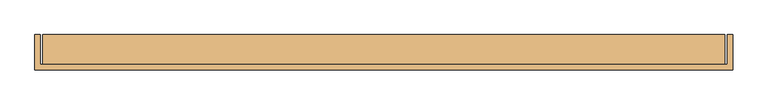
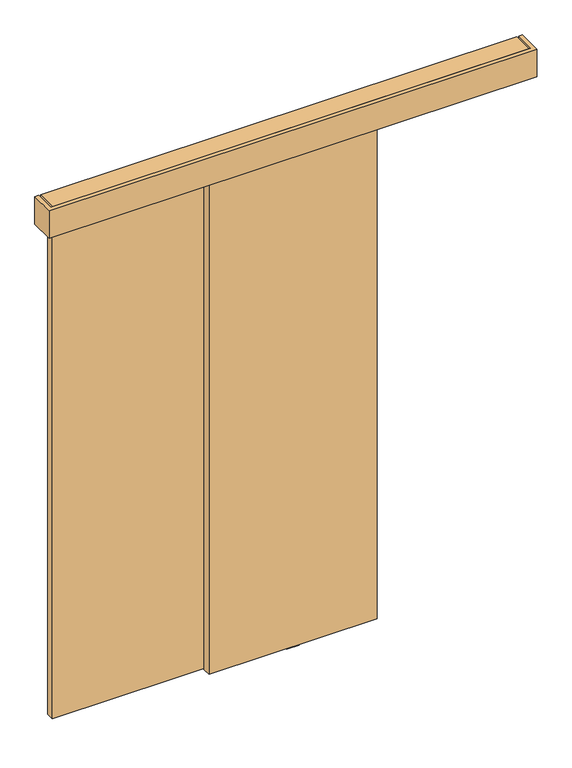
"""IFC4 building model written with IfcOpenShell, lengths in millimetres: door geometry."""

from ifc_helpers import new_model, si_unit, point, frame, frame_2d, origin, place, context, project, spatial, polyline, circle_curve, trimmed, segment, composite_curve, outline, extrude, source, transform, mapped, element, save
from ifc_brep_helpers import plane_surface, cylinder_surface, advanced_brep


def door_8462a658(model_context):
    return source(origin(), model_context, "Body", "SolidModel", [
        extrude(outline(composite_curve([segment(trimmed(circle_curve(frame_2d((-246.5, -48.5)), 9.0), [point((-237.5, -48.5))], [point((-255.5, -48.5))], False, "CARTESIAN"), True, "CONTINUOUS"), segment(trimmed(circle_curve(frame_2d((-246.5, -48.5)), 9.0), [point((-255.5, -48.5))], [point((-237.5, -48.5))], False, "CARTESIAN"), True, "CONTINUOUS")], self_intersect=False)), frame((0.0, 0.0, 2631.0), z_axis=(0.0, 0.0, 1.0), x_axis=(1.0, 0.0, 0.0)), (0.0, 0.0, 1.0), 26.0),
        extrude(outline(polyline([(-324.0, -58.5), (-324.0, -38.5), (-245.8281516, -38.5), (-245.8281516, -58.5), (-324.0, -58.5)])), frame((0.0, 0.0, 2631.0), z_axis=(0.0, 0.0, 1.0), x_axis=(1.0, 0.0, 0.0)), (0.0, 0.0, 1.0), 5.0),
        extrude(outline(composite_curve([segment(trimmed(circle_curve(frame_2d((-246.5, -48.5)), 21.0), [point((-225.5, -48.5))], [point((-267.5, -48.5))], False, "CARTESIAN"), True, "CONTINUOUS"), segment(trimmed(circle_curve(frame_2d((-246.5, -48.5)), 21.0), [point((-267.5, -48.5))], [point((-225.5, -48.5))], False, "CARTESIAN"), True, "CONTINUOUS")], self_intersect=False)), frame((0.0, 0.0, 2636.0), z_axis=(0.0, 0.0, 1.0), x_axis=(1.0, 0.0, 0.0)), (0.0, 0.0, 1.0), 16.0),
        advanced_brep(
        [(-725.5, 14.2574263, 2687.3), (-820.5, 14.2574263, 2687.3), (-820.5, -14.7425737, 2687.3), (-725.5, -14.7425737, 2687.3), (-783.427668, -10.9457536, 2687.3), (-813.71694, -10.9457536, 2687.3), (-813.71694, 10.4606061, 2687.3), (-783.427668, 10.4606061, 2687.3), (-732.28306, -10.9457536, 2687.3), (-762.572332, -10.9457536, 2687.3), (-762.572332, 10.4606061, 2687.3), (-732.28306, 10.4606061, 2687.3), (-725.5, 14.2574263, 2672.3), (-725.5, -14.7425737, 2672.3), (-820.5, -14.7425737, 2672.3), (-820.5, 14.2574263, 2672.3), (-813.71694, -10.9457536, 2672.3), (-783.427668, -10.9457536, 2672.3), (-783.427668, 10.4606061, 2672.3), (-813.71694, 10.4606061, 2672.3), (-762.572332, -10.9457536, 2672.3), (-732.28306, -10.9457536, 2672.3), (-732.28306, 10.4606061, 2672.3), (-762.572332, 10.4606061, 2672.3), (-777.95, -0.5, 2672.3), (-768.05, -0.5, 2672.3), (-777.95, -0.5, 2653.8), (-768.05, -0.5, 2653.8)],
        [
            (0, 1),
            (1, 2),
            (2, 3),
            (3, 0),
            (4, 5),
            (5, 6),
            (6, 7),
            (7, 4),
            (8, 9),
            (9, 10),
            (10, 11),
            (11, 8),
            (12, 13),
            (13, 14),
            (14, 15),
            (15, 12),
            (16, 17),
            (17, 18),
            (18, 19),
            (19, 16),
            (20, 21),
            (21, 22),
            (22, 23),
            (23, 20),
            (24, 25, circle_curve(frame((-773.0, -0.5, 2672.3), z_axis=(0.0, 0.0, 1.0), x_axis=(1.0, 0.0, 0.0)), 4.95)),
            (25, 24, circle_curve(frame((-773.0, -0.5, 2672.3), z_axis=(0.0, 0.0, 1.0), x_axis=(1.0, 0.0, 0.0)), 4.95)),
            (0, 12),
            (15, 1),
            (14, 2),
            (13, 3),
            (16, 17, circle_curve(frame((-798.572304, -10.9457536, 2679.8), z_axis=(0.0, -1.0, 0.0), x_axis=(1.0, 0.0, 0.0)), 16.9)),
            (4, 5, circle_curve(frame((-798.572304, -10.9457536, 2679.8), z_axis=(0.0, -1.0, 0.0), x_axis=(1.0, 0.0, 0.0)), 16.9)),
            (6, 7, circle_curve(frame((-798.572304, 10.4606061, 2679.8), z_axis=(0.0, 1.0, 0.0), x_axis=(1.0, 0.0, 0.0)), 16.9)),
            (18, 19, circle_curve(frame((-798.572304, 10.4606061, 2679.8), z_axis=(0.0, 1.0, 0.0), x_axis=(1.0, 0.0, 0.0)), 16.9)),
            (8, 9, circle_curve(frame((-747.427696, -10.9457536, 2679.8), z_axis=(0.0, -1.0, 0.0), x_axis=(-1.0, 0.0, 0.0)), 16.9)),
            (20, 21, circle_curve(frame((-747.427696, -10.9457536, 2679.8), z_axis=(0.0, -1.0, 0.0), x_axis=(-1.0, 0.0, 0.0)), 16.9)),
            (22, 23, circle_curve(frame((-747.427696, 10.4606061, 2679.8), z_axis=(0.0, 1.0, 0.0), x_axis=(-1.0, 0.0, 0.0)), 16.9)),
            (10, 11, circle_curve(frame((-747.427696, 10.4606061, 2679.8), z_axis=(0.0, 1.0, 0.0), x_axis=(-1.0, 0.0, 0.0)), 16.9)),
            (26, 27, circle_curve(frame((-773.0, -0.5, 2653.8), z_axis=(0.0, 0.0, -1.0), x_axis=(1.0, 0.0, 0.0)), 4.95)),
            (27, 26, circle_curve(frame((-773.0, -0.5, 2653.8), z_axis=(0.0, 0.0, -1.0), x_axis=(1.0, 0.0, 0.0)), 4.95)),
            (27, 25),
            (24, 26),
        ],
        [
            plane_surface(frame((-820.5, 14.2574263, 2687.3), z_axis=(0.0, 0.0, 1.0), x_axis=(-1.0, 0.0, 0.0))),
            plane_surface(frame((-820.5, 14.2574263, 2672.3), z_axis=(0.0, 0.0, -1.0), x_axis=(1.0, 0.0, 0.0))),
            plane_surface(frame((-725.5, 14.2574263, 2687.3), z_axis=(0.0, 1.0, 0.0), x_axis=(0.0, 0.0, -1.0))),
            plane_surface(frame((-820.5, 14.2574263, 2687.3), z_axis=(-1.0, 0.0, 0.0), x_axis=(0.0, 0.0, -1.0))),
            plane_surface(frame((-820.5, -14.7425737, 2687.3), z_axis=(0.0, -1.0, 0.0), x_axis=(0.0, 0.0, -1.0))),
            plane_surface(frame((-725.5, -14.7425737, 2687.3), z_axis=(1.0, 0.0, 0.0), x_axis=(0.0, 0.0, -1.0))),
            plane_surface(frame((-781.672304, -10.9457536, 2679.8), z_axis=(0.0, -1.0, 0.0), x_axis=(0.0, 0.0, 1.0))),
            plane_surface(frame((-781.672304, 10.4606061, 2679.8), z_axis=(0.0, 1.0, 0.0), x_axis=(0.0, 0.0, -1.0))),
            cylinder_surface(frame((-798.572304, 10.4606061, 2679.8), z_axis=(0.0, -1.0, 0.0), x_axis=(1.0, 0.0, 0.0)), 16.9),
            plane_surface(frame((-764.327696, -10.9457536, 2679.8), z_axis=(0.0, -1.0, 0.0), x_axis=(0.0, 0.0, -1.0))),
            plane_surface(frame((-764.327696, 10.4606061, 2679.8), z_axis=(0.0, 1.0, 0.0), x_axis=(0.0, 0.0, 1.0))),
            cylinder_surface(frame((-747.427696, 10.4606061, 2679.8), z_axis=(0.0, -1.0, 0.0), x_axis=(-1.0, 0.0, 0.0)), 16.9),
            plane_surface(frame((-768.05, -0.5, 2653.8), z_axis=(0.0, 0.0, -1.0), x_axis=(0.0, -1.0, 0.0))),
            cylinder_surface(frame((-773.0, -0.5, 2653.8), z_axis=(0.0, 0.0, 1.0), x_axis=(1.0, 0.0, 0.0)), 4.95),
        ],
        [
            (0, [[1, 2, 3, 4], [5, 6, 7, 8], [9, 10, 11, 12]]),
            (1, [[13, 14, 15, 16], [17, 18, 19, 20], [21, 22, 23, 24], [25, 26]]),
            (2, [[-1, 27, -16, 28]]),
            (3, [[-2, -28, -15, 29]]),
            (4, [[-3, -29, -14, 30]]),
            (5, [[-4, -30, -13, -27]]),
            (6, [[31, -17]]),
            (6, [[32, -5]]),
            (7, [[33, -7]]),
            (7, [[34, -19]]),
            (8, [[-31, -20, -34, -18]]),
            (8, [[-32, -8, -33, -6]]),
            (9, [[35, -9]]),
            (9, [[36, -21]]),
            (10, [[37, -23]]),
            (10, [[38, -11]]),
            (11, [[-36, -24, -37, -22]]),
            (11, [[-35, -12, -38, -10]]),
            (12, [[39, 40]]),
            (13, [[-40, 41, -25, 42]]),
            (13, [[-39, -42, -26, -41]]),
        ],
    ),
        extrude(outline(composite_curve([segment(trimmed(circle_curve(frame_2d((-772.9999644, -0.1875)), 12.254021), [point((-785.2539853, -0.1875))], [point((-760.7459434, -0.1875))], False, "CARTESIAN"), True, "CONTINUOUS"), segment(trimmed(circle_curve(frame_2d((-772.9999644, -0.1875)), 12.254021), [point((-760.7459434, -0.1875))], [point((-785.2539853, -0.1875))], False, "CARTESIAN"), True, "CONTINUOUS")], self_intersect=False)), frame((0.0, 0.0, 2645.0), z_axis=(0.0, 0.0, 1.0), x_axis=(1.0, 0.0, 0.0)), (0.0, 0.0, 1.0), 8.8),
        extrude(outline(polyline([(2631.0, -723.0), (2634.8, -723.0), (2645.0, -760.75), (2645.0, -785.25), (2634.8, -823.0), (2631.0, -823.0), (2631.0, -723.0)])), frame((0.0, -17.7425737, 0.0), z_axis=(0.0, 1.0, 0.0), x_axis=(0.0, 0.0, 1.0)), (0.0, 0.0, 1.0), 35.0),
        extrude(outline(composite_curve([segment(trimmed(circle_curve(frame_2d((-1153.0, -48.5)), 9.0), [point((-1162.0, -48.5))], [point((-1144.0, -48.5))], False, "CARTESIAN"), True, "CONTINUOUS"), segment(trimmed(circle_curve(frame_2d((-1153.0, -48.5)), 9.0), [point((-1144.0, -48.5))], [point((-1162.0, -48.5))], False, "CARTESIAN"), True, "CONTINUOUS")], self_intersect=False)), frame((0.0, 0.0, 2631.0), z_axis=(0.0, 0.0, 1.0), x_axis=(1.0, 0.0, 0.0)), (0.0, 0.0, 1.0), 26.0),
        extrude(outline(polyline([(-978.5, -58.5), (-1153.6718484, -58.5), (-1153.6718484, -38.5), (-978.5, -38.5), (-978.5, -58.5)])), frame((0.0, 0.0, 2631.0), z_axis=(0.0, 0.0, 1.0), x_axis=(1.0, 0.0, 0.0)), (0.0, 0.0, 1.0), 5.0),
        extrude(outline(composite_curve([segment(trimmed(circle_curve(frame_2d((-1153.0, -48.5)), 21.0), [point((-1174.0, -48.5))], [point((-1132.0, -48.5))], False, "CARTESIAN"), True, "CONTINUOUS"), segment(trimmed(circle_curve(frame_2d((-1153.0, -48.5)), 21.0), [point((-1132.0, -48.5))], [point((-1174.0, -48.5))], False, "CARTESIAN"), True, "CONTINUOUS")], self_intersect=False)), frame((0.0, 0.0, 2636.0), z_axis=(0.0, 0.0, 1.0), x_axis=(1.0, 0.0, 0.0)), (0.0, 0.0, 1.0), 16.0),
        advanced_brep(
        [(-328.0, -33.7425737, 2687.3), (-423.0, -33.7425737, 2687.3), (-423.0, -62.7425737, 2687.3), (-328.0, -62.7425737, 2687.3), (-385.927668, -58.9457536, 2687.3), (-416.21694, -58.9457536, 2687.3), (-416.21694, -37.5393939, 2687.3), (-385.927668, -37.5393939, 2687.3), (-334.78306, -58.9457536, 2687.3), (-365.072332, -58.9457536, 2687.3), (-365.072332, -37.5393939, 2687.3), (-334.78306, -37.5393939, 2687.3), (-328.0, -33.7425737, 2672.3), (-328.0, -62.7425737, 2672.3), (-423.0, -62.7425737, 2672.3), (-423.0, -33.7425737, 2672.3), (-416.21694, -58.9457536, 2672.3), (-385.927668, -58.9457536, 2672.3), (-385.927668, -37.5393939, 2672.3), (-416.21694, -37.5393939, 2672.3), (-365.072332, -58.9457536, 2672.3), (-334.78306, -58.9457536, 2672.3), (-334.78306, -37.5393939, 2672.3), (-365.072332, -37.5393939, 2672.3), (-380.45, -48.5, 2672.3), (-370.55, -48.5, 2672.3), (-380.45, -48.5, 2653.8), (-370.55, -48.5, 2653.8)],
        [
            (0, 1),
            (1, 2),
            (2, 3),
            (3, 0),
            (4, 5),
            (5, 6),
            (6, 7),
            (7, 4),
            (8, 9),
            (9, 10),
            (10, 11),
            (11, 8),
            (12, 13),
            (13, 14),
            (14, 15),
            (15, 12),
            (16, 17),
            (17, 18),
            (18, 19),
            (19, 16),
            (20, 21),
            (21, 22),
            (22, 23),
            (23, 20),
            (24, 25, circle_curve(frame((-375.5, -48.5, 2672.3), z_axis=(0.0, 0.0, 1.0), x_axis=(1.0, 0.0, 0.0)), 4.95)),
            (25, 24, circle_curve(frame((-375.5, -48.5, 2672.3), z_axis=(0.0, 0.0, 1.0), x_axis=(1.0, 0.0, 0.0)), 4.95)),
            (0, 12),
            (15, 1),
            (14, 2),
            (13, 3),
            (16, 17, circle_curve(frame((-401.072304, -58.9457536, 2679.8), z_axis=(0.0, -1.0, 0.0), x_axis=(1.0, 0.0, 0.0)), 16.9)),
            (4, 5, circle_curve(frame((-401.072304, -58.9457536, 2679.8), z_axis=(0.0, -1.0, 0.0), x_axis=(1.0, 0.0, 0.0)), 16.9)),
            (6, 7, circle_curve(frame((-401.072304, -37.5393939, 2679.8), z_axis=(0.0, 1.0, 0.0), x_axis=(1.0, 0.0, 0.0)), 16.9)),
            (18, 19, circle_curve(frame((-401.072304, -37.5393939, 2679.8), z_axis=(0.0, 1.0, 0.0), x_axis=(1.0, 0.0, 0.0)), 16.9)),
            (8, 9, circle_curve(frame((-349.927696, -58.9457536, 2679.8), z_axis=(0.0, -1.0, 0.0), x_axis=(-1.0, 0.0, 0.0)), 16.9)),
            (20, 21, circle_curve(frame((-349.927696, -58.9457536, 2679.8), z_axis=(0.0, -1.0, 0.0), x_axis=(-1.0, 0.0, 0.0)), 16.9)),
            (22, 23, circle_curve(frame((-349.927696, -37.5393939, 2679.8), z_axis=(0.0, 1.0, 0.0), x_axis=(-1.0, 0.0, 0.0)), 16.9)),
            (10, 11, circle_curve(frame((-349.927696, -37.5393939, 2679.8), z_axis=(0.0, 1.0, 0.0), x_axis=(-1.0, 0.0, 0.0)), 16.9)),
            (26, 27, circle_curve(frame((-375.5, -48.5, 2653.8), z_axis=(0.0, 0.0, -1.0), x_axis=(1.0, 0.0, 0.0)), 4.95)),
            (27, 26, circle_curve(frame((-375.5, -48.5, 2653.8), z_axis=(0.0, 0.0, -1.0), x_axis=(1.0, 0.0, 0.0)), 4.95)),
            (27, 25),
            (24, 26),
        ],
        [
            plane_surface(frame((-423.0, -33.7425737, 2687.3), z_axis=(0.0, 0.0, 1.0), x_axis=(-1.0, 0.0, 0.0))),
            plane_surface(frame((-423.0, -33.7425737, 2672.3), z_axis=(0.0, 0.0, -1.0), x_axis=(1.0, 0.0, 0.0))),
            plane_surface(frame((-328.0, -33.7425737, 2687.3), z_axis=(0.0, 1.0, 0.0), x_axis=(0.0, 0.0, -1.0))),
            plane_surface(frame((-423.0, -33.7425737, 2687.3), z_axis=(-1.0, 0.0, 0.0), x_axis=(0.0, 0.0, -1.0))),
            plane_surface(frame((-423.0, -62.7425737, 2687.3), z_axis=(0.0, -1.0, 0.0), x_axis=(0.0, 0.0, -1.0))),
            plane_surface(frame((-328.0, -62.7425737, 2687.3), z_axis=(1.0, 0.0, 0.0), x_axis=(0.0, 0.0, -1.0))),
            plane_surface(frame((-384.172304, -58.9457536, 2679.8), z_axis=(0.0, -1.0, 0.0), x_axis=(0.0, 0.0, 1.0))),
            plane_surface(frame((-384.172304, -37.5393939, 2679.8), z_axis=(0.0, 1.0, 0.0), x_axis=(0.0, 0.0, -1.0))),
            cylinder_surface(frame((-401.072304, -37.5393939, 2679.8), z_axis=(0.0, -1.0, 0.0), x_axis=(1.0, 0.0, 0.0)), 16.9),
            plane_surface(frame((-366.827696, -58.9457536, 2679.8), z_axis=(0.0, -1.0, 0.0), x_axis=(0.0, 0.0, -1.0))),
            plane_surface(frame((-366.827696, -37.5393939, 2679.8), z_axis=(0.0, 1.0, 0.0), x_axis=(0.0, 0.0, 1.0))),
            cylinder_surface(frame((-349.927696, -37.5393939, 2679.8), z_axis=(0.0, -1.0, 0.0), x_axis=(-1.0, 0.0, 0.0)), 16.9),
            plane_surface(frame((-370.55, -48.5, 2653.8), z_axis=(0.0, 0.0, -1.0), x_axis=(0.0, -1.0, 0.0))),
            cylinder_surface(frame((-375.5, -48.5, 2653.8), z_axis=(0.0, 0.0, 1.0), x_axis=(1.0, 0.0, 0.0)), 4.95),
        ],
        [
            (0, [[1, 2, 3, 4], [5, 6, 7, 8], [9, 10, 11, 12]]),
            (1, [[13, 14, 15, 16], [17, 18, 19, 20], [21, 22, 23, 24], [25, 26]]),
            (2, [[-1, 27, -16, 28]]),
            (3, [[-2, -28, -15, 29]]),
            (4, [[-3, -29, -14, 30]]),
            (5, [[-4, -30, -13, -27]]),
            (6, [[31, -17]]),
            (6, [[32, -5]]),
            (7, [[33, -7]]),
            (7, [[34, -19]]),
            (8, [[-31, -20, -34, -18]]),
            (8, [[-32, -8, -33, -6]]),
            (9, [[35, -9]]),
            (9, [[36, -21]]),
            (10, [[37, -23]]),
            (10, [[38, -11]]),
            (11, [[-36, -24, -37, -22]]),
            (11, [[-35, -12, -38, -10]]),
            (12, [[39, 40]]),
            (13, [[-40, 41, -25, 42]]),
            (13, [[-39, -42, -26, -41]]),
        ],
    ),
        extrude(outline(composite_curve([segment(trimmed(circle_curve(frame_2d((-375.4999644, -48.1875)), 12.254021), [point((-387.7539853, -48.1875))], [point((-363.2459434, -48.1875))], False, "CARTESIAN"), True, "CONTINUOUS"), segment(trimmed(circle_curve(frame_2d((-375.4999644, -48.1875)), 12.254021), [point((-363.2459434, -48.1875))], [point((-387.7539853, -48.1875))], False, "CARTESIAN"), True, "CONTINUOUS")], self_intersect=False)), frame((0.0, 0.0, 2645.0), z_axis=(0.0, 0.0, 1.0), x_axis=(1.0, 0.0, 0.0)), (0.0, 0.0, 1.0), 8.8),
        extrude(outline(polyline([(2631.0, -325.5), (2634.8, -325.5), (2645.0, -363.25), (2645.0, -387.75), (2634.8, -425.5), (2631.0, -425.5), (2631.0, -325.5)])), frame((0.0, -65.7425737, 0.0), z_axis=(0.0, 1.0, 0.0), x_axis=(0.0, 0.0, 1.0)), (0.0, 0.0, 1.0), 35.0),
        advanced_brep(
        [(-863.0, -33.7425737, 2687.3), (-958.0, -33.7425737, 2687.3), (-958.0, -62.7425737, 2687.3), (-863.0, -62.7425737, 2687.3), (-920.927668, -58.9457536, 2687.3), (-951.21694, -58.9457536, 2687.3), (-951.21694, -37.5393939, 2687.3), (-920.927668, -37.5393939, 2687.3), (-869.78306, -58.9457536, 2687.3), (-900.072332, -58.9457536, 2687.3), (-900.072332, -37.5393939, 2687.3), (-869.78306, -37.5393939, 2687.3), (-863.0, -33.7425737, 2672.3), (-863.0, -62.7425737, 2672.3), (-958.0, -62.7425737, 2672.3), (-958.0, -33.7425737, 2672.3), (-951.21694, -58.9457536, 2672.3), (-920.927668, -58.9457536, 2672.3), (-920.927668, -37.5393939, 2672.3), (-951.21694, -37.5393939, 2672.3), (-900.072332, -58.9457536, 2672.3), (-869.78306, -58.9457536, 2672.3), (-869.78306, -37.5393939, 2672.3), (-900.072332, -37.5393939, 2672.3), (-915.45, -48.5, 2672.3), (-905.55, -48.5, 2672.3), (-915.45, -48.5, 2653.8), (-905.55, -48.5, 2653.8)],
        [
            (0, 1),
            (1, 2),
            (2, 3),
            (3, 0),
            (4, 5),
            (5, 6),
            (6, 7),
            (7, 4),
            (8, 9),
            (9, 10),
            (10, 11),
            (11, 8),
            (12, 13),
            (13, 14),
            (14, 15),
            (15, 12),
            (16, 17),
            (17, 18),
            (18, 19),
            (19, 16),
            (20, 21),
            (21, 22),
            (22, 23),
            (23, 20),
            (24, 25, circle_curve(frame((-910.5, -48.5, 2672.3), z_axis=(0.0, 0.0, 1.0), x_axis=(1.0, 0.0, 0.0)), 4.95)),
            (25, 24, circle_curve(frame((-910.5, -48.5, 2672.3), z_axis=(0.0, 0.0, 1.0), x_axis=(1.0, 0.0, 0.0)), 4.95)),
            (0, 12),
            (15, 1),
            (14, 2),
            (13, 3),
            (16, 17, circle_curve(frame((-936.072304, -58.9457536, 2679.8), z_axis=(0.0, -1.0, 0.0), x_axis=(1.0, 0.0, 0.0)), 16.9)),
            (4, 5, circle_curve(frame((-936.072304, -58.9457536, 2679.8), z_axis=(0.0, -1.0, 0.0), x_axis=(1.0, 0.0, 0.0)), 16.9)),
            (6, 7, circle_curve(frame((-936.072304, -37.5393939, 2679.8), z_axis=(0.0, 1.0, 0.0), x_axis=(1.0, 0.0, 0.0)), 16.9)),
            (18, 19, circle_curve(frame((-936.072304, -37.5393939, 2679.8), z_axis=(0.0, 1.0, 0.0), x_axis=(1.0, 0.0, 0.0)), 16.9)),
            (8, 9, circle_curve(frame((-884.927696, -58.9457536, 2679.8), z_axis=(0.0, -1.0, 0.0), x_axis=(-1.0, 0.0, 0.0)), 16.9)),
            (20, 21, circle_curve(frame((-884.927696, -58.9457536, 2679.8), z_axis=(0.0, -1.0, 0.0), x_axis=(-1.0, 0.0, 0.0)), 16.9)),
            (22, 23, circle_curve(frame((-884.927696, -37.5393939, 2679.8), z_axis=(0.0, 1.0, 0.0), x_axis=(-1.0, 0.0, 0.0)), 16.9)),
            (10, 11, circle_curve(frame((-884.927696, -37.5393939, 2679.8), z_axis=(0.0, 1.0, 0.0), x_axis=(-1.0, 0.0, 0.0)), 16.9)),
            (26, 27, circle_curve(frame((-910.5, -48.5, 2653.8), z_axis=(0.0, 0.0, -1.0), x_axis=(1.0, 0.0, 0.0)), 4.95)),
            (27, 26, circle_curve(frame((-910.5, -48.5, 2653.8), z_axis=(0.0, 0.0, -1.0), x_axis=(1.0, 0.0, 0.0)), 4.95)),
            (27, 25),
            (24, 26),
        ],
        [
            plane_surface(frame((-958.0, -33.7425737, 2687.3), z_axis=(0.0, 0.0, 1.0), x_axis=(-1.0, 0.0, 0.0))),
            plane_surface(frame((-958.0, -33.7425737, 2672.3), z_axis=(0.0, 0.0, -1.0), x_axis=(1.0, 0.0, 0.0))),
            plane_surface(frame((-863.0, -33.7425737, 2687.3), z_axis=(0.0, 1.0, 0.0), x_axis=(0.0, 0.0, -1.0))),
            plane_surface(frame((-958.0, -33.7425737, 2687.3), z_axis=(-1.0, 0.0, 0.0), x_axis=(0.0, 0.0, -1.0))),
            plane_surface(frame((-958.0, -62.7425737, 2687.3), z_axis=(0.0, -1.0, 0.0), x_axis=(0.0, 0.0, -1.0))),
            plane_surface(frame((-863.0, -62.7425737, 2687.3), z_axis=(1.0, 0.0, 0.0), x_axis=(0.0, 0.0, -1.0))),
            plane_surface(frame((-919.172304, -58.9457536, 2679.8), z_axis=(0.0, -1.0, 0.0), x_axis=(0.0, 0.0, 1.0))),
            plane_surface(frame((-919.172304, -37.5393939, 2679.8), z_axis=(0.0, 1.0, 0.0), x_axis=(0.0, 0.0, -1.0))),
            cylinder_surface(frame((-936.072304, -37.5393939, 2679.8), z_axis=(0.0, -1.0, 0.0), x_axis=(1.0, 0.0, 0.0)), 16.9),
            plane_surface(frame((-901.827696, -58.9457536, 2679.8), z_axis=(0.0, -1.0, 0.0), x_axis=(0.0, 0.0, -1.0))),
            plane_surface(frame((-901.827696, -37.5393939, 2679.8), z_axis=(0.0, 1.0, 0.0), x_axis=(0.0, 0.0, 1.0))),
            cylinder_surface(frame((-884.927696, -37.5393939, 2679.8), z_axis=(0.0, -1.0, 0.0), x_axis=(-1.0, 0.0, 0.0)), 16.9),
            plane_surface(frame((-905.55, -48.5, 2653.8), z_axis=(0.0, 0.0, -1.0), x_axis=(0.0, -1.0, 0.0))),
            cylinder_surface(frame((-910.5, -48.5, 2653.8), z_axis=(0.0, 0.0, 1.0), x_axis=(1.0, 0.0, 0.0)), 4.95),
        ],
        [
            (0, [[1, 2, 3, 4], [5, 6, 7, 8], [9, 10, 11, 12]]),
            (1, [[13, 14, 15, 16], [17, 18, 19, 20], [21, 22, 23, 24], [25, 26]]),
            (2, [[-1, 27, -16, 28]]),
            (3, [[-2, -28, -15, 29]]),
            (4, [[-3, -29, -14, 30]]),
            (5, [[-4, -30, -13, -27]]),
            (6, [[31, -17]]),
            (6, [[32, -5]]),
            (7, [[33, -7]]),
            (7, [[34, -19]]),
            (8, [[-31, -20, -34, -18]]),
            (8, [[-32, -8, -33, -6]]),
            (9, [[35, -9]]),
            (9, [[36, -21]]),
            (10, [[37, -23]]),
            (10, [[38, -11]]),
            (11, [[-36, -24, -37, -22]]),
            (11, [[-35, -12, -38, -10]]),
            (12, [[39, 40]]),
            (13, [[-40, 41, -25, 42]]),
            (13, [[-39, -42, -26, -41]]),
        ],
    ),
        extrude(outline(composite_curve([segment(trimmed(circle_curve(frame_2d((-910.4999644, -48.1875)), 12.254021), [point((-922.7539853, -48.1875))], [point((-898.2459434, -48.1875))], False, "CARTESIAN"), True, "CONTINUOUS"), segment(trimmed(circle_curve(frame_2d((-910.4999644, -48.1875)), 12.254021), [point((-898.2459434, -48.1875))], [point((-922.7539853, -48.1875))], False, "CARTESIAN"), True, "CONTINUOUS")], self_intersect=False)), frame((0.0, 0.0, 2645.0), z_axis=(0.0, 0.0, 1.0), x_axis=(1.0, 0.0, 0.0)), (0.0, 0.0, 1.0), 8.8),
        extrude(outline(polyline([(2631.0, -860.5), (2634.8, -860.5), (2645.0, -898.25), (2645.0, -922.75), (2634.8, -960.5), (2631.0, -960.5), (2631.0, -860.5)])), frame((0.0, -65.7425737, 0.0), z_axis=(0.0, 1.0, 0.0), x_axis=(0.0, 0.0, 1.0)), (0.0, 0.0, 1.0), 35.0),
        advanced_brep(
        [(-1632.0, 14.2574263, 2687.3), (-1727.0, 14.2574263, 2687.3), (-1727.0, -14.7425737, 2687.3), (-1632.0, -14.7425737, 2687.3), (-1689.927668, -10.9457536, 2687.3), (-1720.21694, -10.9457536, 2687.3), (-1720.21694, 10.4606061, 2687.3), (-1689.927668, 10.4606061, 2687.3), (-1638.78306, -10.9457536, 2687.3), (-1669.072332, -10.9457536, 2687.3), (-1669.072332, 10.4606061, 2687.3), (-1638.78306, 10.4606061, 2687.3), (-1632.0, 14.2574263, 2672.3), (-1632.0, -14.7425737, 2672.3), (-1727.0, -14.7425737, 2672.3), (-1727.0, 14.2574263, 2672.3), (-1720.21694, -10.9457536, 2672.3), (-1689.927668, -10.9457536, 2672.3), (-1689.927668, 10.4606061, 2672.3), (-1720.21694, 10.4606061, 2672.3), (-1669.072332, -10.9457536, 2672.3), (-1638.78306, -10.9457536, 2672.3), (-1638.78306, 10.4606061, 2672.3), (-1669.072332, 10.4606061, 2672.3), (-1684.45, -0.5, 2672.3), (-1674.55, -0.5, 2672.3), (-1684.45, -0.5, 2653.8), (-1674.55, -0.5, 2653.8)],
        [
            (0, 1),
            (1, 2),
            (2, 3),
            (3, 0),
            (4, 5),
            (5, 6),
            (6, 7),
            (7, 4),
            (8, 9),
            (9, 10),
            (10, 11),
            (11, 8),
            (12, 13),
            (13, 14),
            (14, 15),
            (15, 12),
            (16, 17),
            (17, 18),
            (18, 19),
            (19, 16),
            (20, 21),
            (21, 22),
            (22, 23),
            (23, 20),
            (24, 25, circle_curve(frame((-1679.5, -0.5, 2672.3), z_axis=(0.0, 0.0, 1.0), x_axis=(1.0, 0.0, 0.0)), 4.95)),
            (25, 24, circle_curve(frame((-1679.5, -0.5, 2672.3), z_axis=(0.0, 0.0, 1.0), x_axis=(1.0, 0.0, 0.0)), 4.95)),
            (0, 12),
            (15, 1),
            (14, 2),
            (13, 3),
            (16, 17, circle_curve(frame((-1705.072304, -10.9457536, 2679.8), z_axis=(0.0, -1.0, 0.0), x_axis=(1.0, 0.0, 0.0)), 16.9)),
            (4, 5, circle_curve(frame((-1705.072304, -10.9457536, 2679.8), z_axis=(0.0, -1.0, 0.0), x_axis=(1.0, 0.0, 0.0)), 16.9)),
            (6, 7, circle_curve(frame((-1705.072304, 10.4606061, 2679.8), z_axis=(0.0, 1.0, 0.0), x_axis=(1.0, 0.0, 0.0)), 16.9)),
            (18, 19, circle_curve(frame((-1705.072304, 10.4606061, 2679.8), z_axis=(0.0, 1.0, 0.0), x_axis=(1.0, 0.0, 0.0)), 16.9)),
            (8, 9, circle_curve(frame((-1653.927696, -10.9457536, 2679.8), z_axis=(0.0, -1.0, 0.0), x_axis=(-1.0, 0.0, 0.0)), 16.9)),
            (20, 21, circle_curve(frame((-1653.927696, -10.9457536, 2679.8), z_axis=(0.0, -1.0, 0.0), x_axis=(-1.0, 0.0, 0.0)), 16.9)),
            (22, 23, circle_curve(frame((-1653.927696, 10.4606061, 2679.8), z_axis=(0.0, 1.0, 0.0), x_axis=(-1.0, 0.0, 0.0)), 16.9)),
            (10, 11, circle_curve(frame((-1653.927696, 10.4606061, 2679.8), z_axis=(0.0, 1.0, 0.0), x_axis=(-1.0, 0.0, 0.0)), 16.9)),
            (26, 27, circle_curve(frame((-1679.5, -0.5, 2653.8), z_axis=(0.0, 0.0, -1.0), x_axis=(1.0, 0.0, 0.0)), 4.95)),
            (27, 26, circle_curve(frame((-1679.5, -0.5, 2653.8), z_axis=(0.0, 0.0, -1.0), x_axis=(1.0, 0.0, 0.0)), 4.95)),
            (27, 25),
            (24, 26),
        ],
        [
            plane_surface(frame((-1727.0, 14.2574263, 2687.3), z_axis=(0.0, 0.0, 1.0), x_axis=(-1.0, 0.0, 0.0))),
            plane_surface(frame((-1727.0, 14.2574263, 2672.3), z_axis=(0.0, 0.0, -1.0), x_axis=(1.0, 0.0, 0.0))),
            plane_surface(frame((-1632.0, 14.2574263, 2687.3), z_axis=(0.0, 1.0, 0.0), x_axis=(0.0, 0.0, -1.0))),
            plane_surface(frame((-1727.0, 14.2574263, 2687.3), z_axis=(-1.0, 0.0, 0.0), x_axis=(0.0, 0.0, -1.0))),
            plane_surface(frame((-1727.0, -14.7425737, 2687.3), z_axis=(0.0, -1.0, 0.0), x_axis=(0.0, 0.0, -1.0))),
            plane_surface(frame((-1632.0, -14.7425737, 2687.3), z_axis=(1.0, 0.0, 0.0), x_axis=(0.0, 0.0, -1.0))),
            plane_surface(frame((-1688.172304, -10.9457536, 2679.8), z_axis=(0.0, -1.0, 0.0), x_axis=(0.0, 0.0, 1.0))),
            plane_surface(frame((-1688.172304, 10.4606061, 2679.8), z_axis=(0.0, 1.0, 0.0), x_axis=(0.0, 0.0, -1.0))),
            cylinder_surface(frame((-1705.072304, 10.4606061, 2679.8), z_axis=(0.0, -1.0, 0.0), x_axis=(1.0, 0.0, 0.0)), 16.9),
            plane_surface(frame((-1670.827696, -10.9457536, 2679.8), z_axis=(0.0, -1.0, 0.0), x_axis=(0.0, 0.0, -1.0))),
            plane_surface(frame((-1670.827696, 10.4606061, 2679.8), z_axis=(0.0, 1.0, 0.0), x_axis=(0.0, 0.0, 1.0))),
            cylinder_surface(frame((-1653.927696, 10.4606061, 2679.8), z_axis=(0.0, -1.0, 0.0), x_axis=(-1.0, 0.0, 0.0)), 16.9),
            plane_surface(frame((-1674.55, -0.5, 2653.8), z_axis=(0.0, 0.0, -1.0), x_axis=(0.0, -1.0, 0.0))),
            cylinder_surface(frame((-1679.5, -0.5, 2653.8), z_axis=(0.0, 0.0, 1.0), x_axis=(1.0, 0.0, 0.0)), 4.95),
        ],
        [
            (0, [[1, 2, 3, 4], [5, 6, 7, 8], [9, 10, 11, 12]]),
            (1, [[13, 14, 15, 16], [17, 18, 19, 20], [21, 22, 23, 24], [25, 26]]),
            (2, [[-1, 27, -16, 28]]),
            (3, [[-2, -28, -15, 29]]),
            (4, [[-3, -29, -14, 30]]),
            (5, [[-4, -30, -13, -27]]),
            (6, [[31, -17]]),
            (6, [[32, -5]]),
            (7, [[33, -7]]),
            (7, [[34, -19]]),
            (8, [[-31, -20, -34, -18]]),
            (8, [[-32, -8, -33, -6]]),
            (9, [[35, -9]]),
            (9, [[36, -21]]),
            (10, [[37, -23]]),
            (10, [[38, -11]]),
            (11, [[-36, -24, -37, -22]]),
            (11, [[-35, -12, -38, -10]]),
            (12, [[39, 40]]),
            (13, [[-40, 41, -25, 42]]),
            (13, [[-39, -42, -26, -41]]),
        ],
    ),
        extrude(outline(composite_curve([segment(trimmed(circle_curve(frame_2d((-1679.4999644, -0.1875)), 12.254021), [point((-1691.7539853, -0.1875))], [point((-1667.2459434, -0.1875))], False, "CARTESIAN"), True, "CONTINUOUS"), segment(trimmed(circle_curve(frame_2d((-1679.4999644, -0.1875)), 12.254021), [point((-1667.2459434, -0.1875))], [point((-1691.7539853, -0.1875))], False, "CARTESIAN"), True, "CONTINUOUS")], self_intersect=False)), frame((0.0, 0.0, 2645.0), z_axis=(0.0, 0.0, 1.0), x_axis=(1.0, 0.0, 0.0)), (0.0, 0.0, 1.0), 8.8),
        extrude(outline(polyline([(2631.0, -1629.5), (2634.8, -1629.5), (2645.0, -1667.25), (2645.0, -1691.75), (2634.8, -1729.5), (2631.0, -1729.5), (2631.0, -1629.5)])), frame((0.0, -17.7425737, 0.0), z_axis=(0.0, 1.0, 0.0), x_axis=(0.0, 0.0, 1.0)), (0.0, 0.0, 1.0), 35.0),
        extrude(outline(polyline([(-1868.5, 28.5), (-1850.5, 28.5), (-1850.5, -75.5), (534.5, -75.5), (534.5, 28.5), (552.5, 28.5), (552.5, -93.5), (-1868.5, -93.5), (-1868.5, 28.5)])), frame((0.0, 0.0, 2595.0), z_axis=(0.0, 0.0, 1.0), x_axis=(1.0, 0.0, 0.0)), (0.0, 0.0, 1.0), 145.0),
        extrude(outline(polyline([(-225.5, -28.5), (-225.5, -68.5), (-1060.5, -68.5), (-1060.5, -28.5), (-225.5, -28.5)])), frame((0.0, 0.0, 10.0), z_axis=(0.0, 0.0, 1.0), x_axis=(1.0, 0.0, 0.0)), (0.0, 0.0, 1.0), 2621.0),
        extrude(outline(polyline([(-603.0, 19.5), (-603.0, -20.5), (-1810.5, -20.5), (-1810.5, 19.5), (-603.0, 19.5)])), frame((0.0, 0.0, 10.0), z_axis=(0.0, 0.0, 1.0), x_axis=(1.0, 0.0, 0.0)), (0.0, 0.0, 1.0), 2621.0),
        extrude(outline(polyline([(-21.5, 104.0), (-21.5, 4.0), (-66.0, 4.0), (-66.0, 9.0), (-53.5, 9.0), (-53.5, 33.75), (-43.5, 33.75), (-43.5, 9.0), (-27.5, 9.0), (-27.5, 104.0), (-21.5, 104.0)])), frame((-673.0, 0.0, 0.0), z_axis=(1.0, 0.0, 0.0), x_axis=(0.0, 1.0, 0.0)), (0.0, 0.0, 1.0), 60.0),
        extrude(outline(polyline([(19.5, 5.0), (19.5, 0.0), (-18.1203818, 0.0), (-18.1203818, 5.0), (-5.6203818, 5.0), (-5.6203818, 25.0), (4.3796182, 25.0), (4.3796182, 5.0), (19.5, 5.0)])), frame((-673.0, 0.0, 0.0), z_axis=(1.0, 0.0, 0.0), x_axis=(0.0, 1.0, 0.0)), (0.0, 0.0, 1.0), 60.0),
        extrude(outline(composite_curve([segment(trimmed(circle_curve(frame_2d((-246.5, -48.5029779)), 22.0109205), [point((-246.5, -26.4920574))], [point((-246.5, -70.5138983))], False, "CARTESIAN"), True, "CONTINUOUS"), segment(polyline([(-246.5, -70.5138983), (-1153.3412736, -70.5138983)]), True, "CONTINUOUS"), segment(trimmed(circle_curve(frame_2d((-1153.3412736, -48.5029779)), 22.0109205), [point((-1153.3412736, -70.5138983))], [point((-1153.3412736, -26.4920574))], False, "CARTESIAN"), True, "CONTINUOUS"), segment(polyline([(-1153.3412736, -26.4920574), (-246.5, -26.4920574)]), True, "CONTINUOUS")], self_intersect=False), holes=[composite_curve([segment(polyline([(-246.5, -27.5), (-1153.0, -27.5)]), True, "CONTINUOUS"), segment(trimmed(circle_curve(frame_2d((-1153.0, -48.5)), 21.0), [point((-1153.0, -27.5))], [point((-1153.0, -69.5))], True, "CARTESIAN"), True, "CONTINUOUS"), segment(polyline([(-1153.0, -69.5), (-246.5, -69.5)]), True, "CONTINUOUS"), segment(trimmed(circle_curve(frame_2d((-246.5, -48.5)), 21.0), [point((-246.5, -69.5))], [point((-246.5, -27.5))], True, "CARTESIAN"), True, "CONTINUOUS")], self_intersect=False)]), frame((0.0, 0.0, 2639.446007), z_axis=(0.0, 0.0, 1.0), x_axis=(1.0, 0.0, 0.0)), (0.0, 0.0, 1.0), 7.053993),
        extrude(outline(polyline([(524.5, 28.5), (524.5, -75.5), (-1840.5, -75.5), (-1840.5, 28.5), (524.5, 28.5)])), frame((0.0, 0.0, 2700.0), z_axis=(0.0, 0.0, 1.0), x_axis=(1.0, 0.0, 0.0)), (0.0, 0.0, 1.0), 40.0),
    ])


if __name__ == "__main__":
    model = new_model("IFC4")
    model_context = context("Model", 3, world=origin())
    ifc_project = project(units=[si_unit("LENGTHUNIT", "METRE", prefix="MILLI")], contexts=[model_context])
    site = spatial("IfcSite", under=ifc_project)
    building = spatial("IfcBuilding", under=site)
    placement = place(None, origin())
    door_shape = door_8462a658(model_context)
    element("IfcDoor", 1, at=placement, inside=building, context=model_context, shape_type="MappedRepresentation", body=[
        mapped(door_shape, transform((0.0, 0.0, 0.0), x_axis=(1.0, 0.0, 0.0), y_axis=(0.0, 1.0, 0.0), z_axis=(0.0, 0.0, 1.0))),
    ])
    save(model, "model.ifc")
